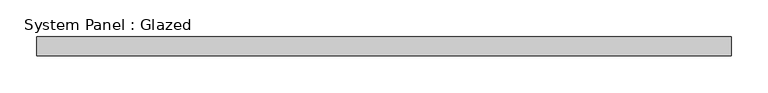
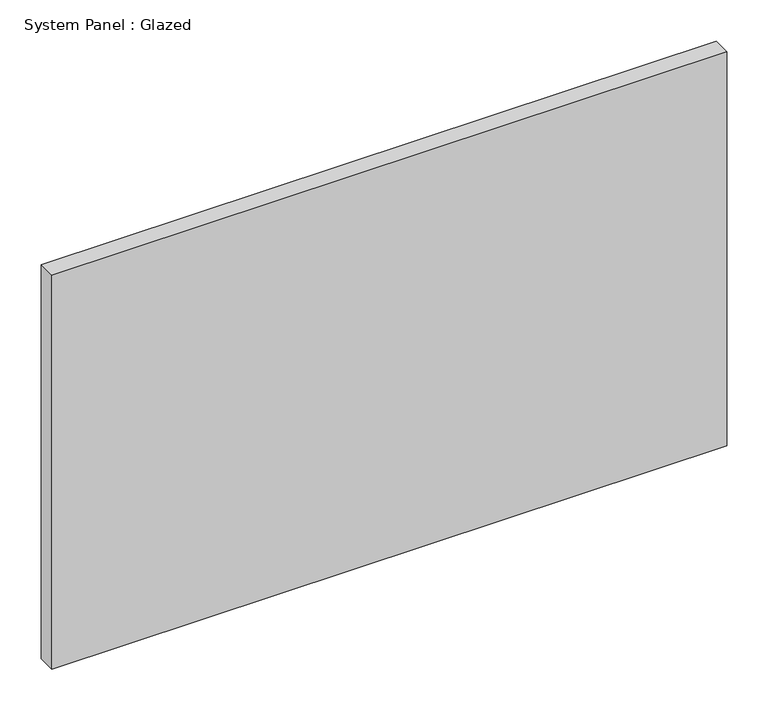
"""IFC4 building model written with IfcOpenShell, lengths in millimetres: plate geometry, System Panel : Glazed."""

import ifcopenshell
import ifcopenshell.guid

model = None  # the IFC model being written
_history = None  # IfcOwnerHistory: only IFC2X3 demands one
_inside = {}  # id of a spatial element -> (the spatial element, [elements in it])
_under = {}  # id of a project, library or spatial element -> (it, [spatial elements below it])
_declared = {}  # id of a project -> (the project, [libraries it declares])
_typed = {}  # id of a type object -> (the type object, [elements of that type])
_made_of = {}  # id of a material, layer set ... -> (it, [elements and type objects made of it])


def new_model(schema):
    """Start an empty IFC model of exactly this schema.

    Asked for "IFC4X3", IfcOpenShell would pick the latest addendum, in which some entities
    have other attributes; the version numbers below select the first issue.
    IFC2X3 requires an IfcOwnerHistory on every rooted entity: one is made here for all.
    """
    global model, _history
    if schema == "IFC4X3":
        model = ifcopenshell.file(schema_version=(4, 3, 0, 0))
    else:
        model = ifcopenshell.file(schema=schema)
    _inside.clear()
    _under.clear()
    _declared.clear()
    _typed.clear()
    _made_of.clear()
    _history = None
    if model.schema == "IFC2X3":
        org = make("IfcOrganization", Name="unknown")
        user = make(
            "IfcPersonAndOrganization",
            ThePerson=make("IfcPerson", FamilyName="unknown"),
            TheOrganization=org,
        )
        app = make(
            "IfcApplication",
            ApplicationDeveloper=org,
            Version="unknown",
            ApplicationFullName="unknown",
            ApplicationIdentifier="unknown",
        )
        _history = make(
            "IfcOwnerHistory",
            OwningUser=user,
            OwningApplication=app,
            ChangeAction="ADDED",
            CreationDate=0,
        )
    return model


def make(cls, **values):
    """One entity of the class cls with the attributes given. An attribute that is None is left unset."""
    return model.create_entity(
        cls, **{name: value for name, value in values.items() if value is not None}
    )


def rooted(cls, **values):
    """An entity with a GlobalId (a new one), such as an element, a storey or a relation."""
    return make(cls, GlobalId=ifcopenshell.guid.new(), OwnerHistory=_history, **values)


def si_unit(unit_type, name, prefix=None):
    """IfcSIUnit, for example si_unit("LENGTHUNIT", "METRE", prefix="MILLI")."""
    return make("IfcSIUnit", UnitType=unit_type, Prefix=prefix, Name=name)


def assignment(units):
    """IfcUnitAssignment: the units of a project."""
    return None if units is None else make("IfcUnitAssignment", Units=units)


def point(xyz):
    """IfcCartesianPoint."""
    return None if xyz is None else make("IfcCartesianPoint", Coordinates=xyz)


def direction(xyz):
    """IfcDirection."""
    return None if xyz is None else make("IfcDirection", DirectionRatios=xyz)


def frame(location, z_axis=None, x_axis=None):
    """IfcAxis2Placement3D, a coordinate frame: its origin and axes. An axis left out is left unset."""
    return make(
        "IfcAxis2Placement3D",
        Location=point(location),
        Axis=direction(z_axis),
        RefDirection=direction(x_axis),
    )


def origin():
    """The frame at (0, 0, 0) with its axes left unset."""
    return frame((0.0, 0.0, 0.0))


def origin_with_axes():
    """The frame at (0, 0, 0) with the z axis (0, 0, 1) and the x axis (1, 0, 0) written out."""
    return frame((0.0, 0.0, 0.0), z_axis=(0.0, 0.0, 1.0), x_axis=(1.0, 0.0, 0.0))


def place(relative_to, where):
    """IfcLocalPlacement: puts the frame where relative to a parent placement (None: the world)."""
    return make(
        "IfcLocalPlacement", PlacementRelTo=relative_to, RelativePlacement=where
    )


def context(
    kind, dimensions, precision=None, world=None, true_north=None, identifier=None
):
    """IfcGeometricRepresentationContext, for example the 3D "Model" context."""
    return make(
        "IfcGeometricRepresentationContext",
        ContextIdentifier=identifier,
        ContextType=kind,
        CoordinateSpaceDimension=dimensions,
        Precision=precision,
        WorldCoordinateSystem=world,
        TrueNorth=true_north,
    )


def project(units=None, contexts=None):
    """IfcProject with its units and contexts."""
    return rooted(
        "IfcProject",
        Name="project",
        RepresentationContexts=contexts,
        UnitsInContext=assignment(units),
    )


def spatial(cls, under=None, at=None, **own):
    """A site, building, storey or space (cls), placed at a placement, below another one or the project."""
    s = rooted(cls, ObjectPlacement=at, **own)
    if under is not None:
        _under.setdefault(under.id(), (under, []))[1].append(s)
    return s


def polyline(points):
    """IfcPolyline through the points."""
    return make("IfcPolyline", Points=[point(p) for p in points])


def outline(outer, holes=None, kind="AREA"):
    """IfcArbitraryClosedProfileDef: a profile drawn as a closed curve; with holes, ...WithVoids."""
    if holes is None:
        return make("IfcArbitraryClosedProfileDef", ProfileType=kind, OuterCurve=outer)
    return make(
        "IfcArbitraryProfileDefWithVoids",
        ProfileType=kind,
        OuterCurve=outer,
        InnerCurves=holes,
    )


def extrude(swept, where, along, depth):
    """IfcExtrudedAreaSolid: the profile swept, set in the frame where, extruded along a direction by depth."""
    return make(
        "IfcExtrudedAreaSolid",
        SweptArea=swept,
        Position=where,
        ExtrudedDirection=direction(along),
        Depth=depth,
    )


def shape(context_of_items, identifier, shape_type, items):
    """IfcShapeRepresentation: the items that make up one representation, for example the "Body"."""
    return make(
        "IfcShapeRepresentation",
        ContextOfItems=context_of_items,
        RepresentationIdentifier=identifier,
        RepresentationType=shape_type,
        Items=items,
    )


def source(mapping_origin, context_of_items, identifier, shape_type, items):
    """IfcRepresentationMap: a shape defined once, which mapped items show again and again."""
    return make(
        "IfcRepresentationMap",
        MappingOrigin=mapping_origin,
        MappedRepresentation=shape(context_of_items, identifier, shape_type, items),
    )


def transform(
    local_origin,
    x_axis=None,
    y_axis=None,
    z_axis=None,
    scale=None,
    scale2=None,
    scale3=None,
    uniform=True,
):
    """IfcCartesianTransformationOperator3D, or its non-uniform kind. x_axis, y_axis, z_axis: its Axis1, 2, 3."""
    if uniform:
        return make(
            "IfcCartesianTransformationOperator3D",
            Axis1=direction(x_axis),
            Axis2=direction(y_axis),
            LocalOrigin=point(local_origin),
            Scale=scale,
            Axis3=direction(z_axis),
        )
    return make(
        "IfcCartesianTransformationOperator3DnonUniform",
        Axis1=direction(x_axis),
        Axis2=direction(y_axis),
        LocalOrigin=point(local_origin),
        Scale=scale,
        Axis3=direction(z_axis),
        Scale2=scale2,
        Scale3=scale3,
    )


def mapped(mapping_source, mapping_target):
    """IfcMappedItem: shows the shape of a source again, moved by a transform."""
    return make(
        "IfcMappedItem", MappingSource=mapping_source, MappingTarget=mapping_target
    )


def made_of(thing, what):
    """Note that an element or type object is made of a material, layer set ...; save() writes the relation."""
    if what is not None:
        _made_of.setdefault(what.id(), (what, []))[1].append(thing)
    return thing


def element(
    cls,
    number,
    at=None,
    inside=None,
    cuts=None,
    type_object=None,
    material=None,
    context=None,
    identifier="Body",
    shape_type=None,
    held_by="IfcProductDefinitionShape",
    body=None,
    shapes=None,
    **own,
):
    """One element of the class cls, such as IfcWall. Its Tag is "e" and its number.

    at: its placement. inside: the storey or other place that contains it. cuts: it is an
    opening in that element (IfcRelVoidsElement). A single representation is given by context,
    identifier, shape_type and body (its items); several are given by shapes. held_by: the class
    of the entity that holds the representations. save() writes the other relations.
    """
    e = rooted(cls, Tag="e%d" % number, ObjectPlacement=at, **own)
    if body is not None:
        shapes = [shape(context, identifier, shape_type, body)]
    if shapes is not None:
        e.Representation = make(held_by, Representations=shapes)
    if inside is not None:
        _inside.setdefault(inside.id(), (inside, []))[1].append(e)
    if cuts is not None:
        rooted(
            "IfcRelVoidsElement", RelatingBuildingElement=cuts, RelatedOpeningElement=e
        )
    if type_object is not None:
        _typed.setdefault(type_object.id(), (type_object, []))[1].append(e)
    return made_of(e, material)


def aggregate(whole, parts):
    """IfcRelAggregates: a whole, such as a stair, and the parts it consists of."""
    return rooted("IfcRelAggregates", RelatingObject=whole, RelatedObjects=parts)


def save(model, path):
    """Write the relations noted so far, then the file.

    IfcRelAggregates (storeys below a building ...), IfcRelContainedInSpatialStructure (elements
    in a storey), IfcRelDefinesByType, IfcRelAssociatesMaterial and IfcRelDeclares: one each for
    every whole, place, type object, material and project.
    """
    for whole, parts in _under.values():
        aggregate(whole, parts)
    for where, things in _inside.values():
        rooted(
            "IfcRelContainedInSpatialStructure",
            RelatedElements=things,
            RelatingStructure=where,
        )
    for kind, things in _typed.values():
        rooted("IfcRelDefinesByType", RelatedObjects=things, RelatingType=kind)
    for what, things in _made_of.values():
        rooted("IfcRelAssociatesMaterial", RelatedObjects=things, RelatingMaterial=what)
    for by, libraries in _declared.values():
        rooted("IfcRelDeclares", RelatingContext=by, RelatedDefinitions=libraries)
    model.write(path)


def system_panel_glazed_59e0d586(model_context):
    return source(origin(), model_context, "Body", "SweptSolid", [
        extrude(outline(polyline([(469.9, -44.45), (-469.9, -44.45), (-469.9, -19.05), (469.9, -19.05), (469.9, -44.45)])), origin_with_axes(), (0.0, 0.0, 1.0), 579.9666667),
    ])


if __name__ == "__main__":
    model = new_model("IFC4")
    model_context = context("Model", 3, world=origin())
    ifc_project = project(units=[si_unit("LENGTHUNIT", "METRE", prefix="MILLI")], contexts=[model_context])
    site = spatial("IfcSite", under=ifc_project)
    building = spatial("IfcBuilding", under=site)
    placement = place(None, origin())
    system_panel_glazed_shape = system_panel_glazed_59e0d586(model_context)
    element("IfcPlate", 1, ObjectType="System Panel : Glazed", at=placement, inside=building, context=model_context, shape_type="MappedRepresentation", body=[
        mapped(system_panel_glazed_shape, transform((0.0, 0.0, 0.0), x_axis=(1.0, 0.0, 0.0), y_axis=(0.0, 1.0, 0.0), z_axis=(0.0, 0.0, 1.0))),
    ])
    save(model, "model.ifc")
